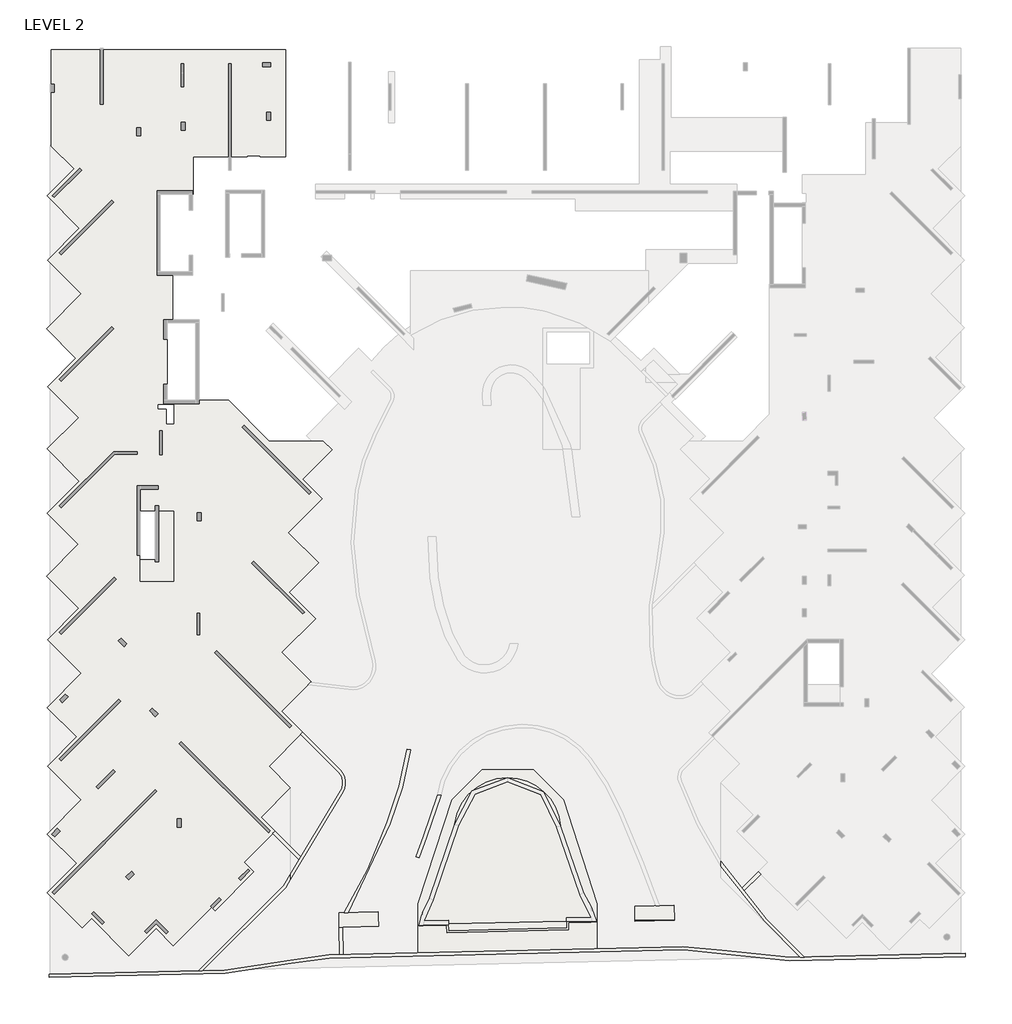
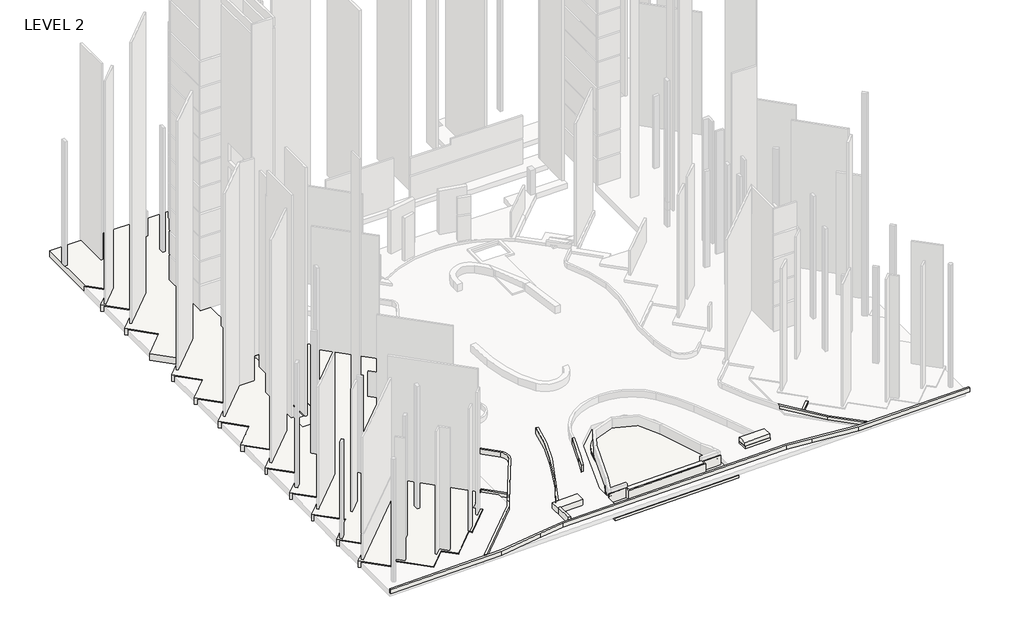
# One storey, part 6 of 9: 23 slabs, 1 roof.
"""IFC4 building model written with IfcOpenShell, lengths in millimetres."""

import ifcopenshell
import ifcopenshell.guid

model = None  # the IFC model being written
_history = None  # IfcOwnerHistory: only IFC2X3 demands one
_inside = {}  # id of a spatial element -> (the spatial element, [elements in it])
_under = {}  # id of a project, library or spatial element -> (it, [spatial elements below it])
_declared = {}  # id of a project -> (the project, [libraries it declares])
_typed = {}  # id of a type object -> (the type object, [elements of that type])
_made_of = {}  # id of a material, layer set ... -> (it, [elements and type objects made of it])


def new_model(schema):
    """Start an empty IFC model of exactly this schema.

    Asked for "IFC4X3", IfcOpenShell would pick the latest addendum, in which some entities
    have other attributes; the version numbers below select the first issue.
    IFC2X3 requires an IfcOwnerHistory on every rooted entity: one is made here for all.
    """
    global model, _history
    if schema == "IFC4X3":
        model = ifcopenshell.file(schema_version=(4, 3, 0, 0))
    else:
        model = ifcopenshell.file(schema=schema)
    _inside.clear()
    _under.clear()
    _declared.clear()
    _typed.clear()
    _made_of.clear()
    _history = None
    if model.schema == "IFC2X3":
        org = make("IfcOrganization", Name="unknown")
        user = make(
            "IfcPersonAndOrganization",
            ThePerson=make("IfcPerson", FamilyName="unknown"),
            TheOrganization=org,
        )
        app = make(
            "IfcApplication",
            ApplicationDeveloper=org,
            Version="unknown",
            ApplicationFullName="unknown",
            ApplicationIdentifier="unknown",
        )
        _history = make(
            "IfcOwnerHistory",
            OwningUser=user,
            OwningApplication=app,
            ChangeAction="ADDED",
            CreationDate=0,
        )
    return model


def make(cls, **values):
    """One entity of the class cls with the attributes given. An attribute that is None is left unset."""
    return model.create_entity(
        cls, **{name: value for name, value in values.items() if value is not None}
    )


def rooted(cls, **values):
    """An entity with a GlobalId (a new one), such as an element, a storey or a relation."""
    return make(cls, GlobalId=ifcopenshell.guid.new(), OwnerHistory=_history, **values)


def si_unit(unit_type, name, prefix=None):
    """IfcSIUnit, for example si_unit("LENGTHUNIT", "METRE", prefix="MILLI")."""
    return make("IfcSIUnit", UnitType=unit_type, Prefix=prefix, Name=name)


def assignment(units):
    """IfcUnitAssignment: the units of a project."""
    return None if units is None else make("IfcUnitAssignment", Units=units)


def point(xyz):
    """IfcCartesianPoint."""
    return None if xyz is None else make("IfcCartesianPoint", Coordinates=xyz)


def direction(xyz):
    """IfcDirection."""
    return None if xyz is None else make("IfcDirection", DirectionRatios=xyz)


def frame(location, z_axis=None, x_axis=None):
    """IfcAxis2Placement3D, a coordinate frame: its origin and axes. An axis left out is left unset."""
    return make(
        "IfcAxis2Placement3D",
        Location=point(location),
        Axis=direction(z_axis),
        RefDirection=direction(x_axis),
    )


def frame_2d(location, x_axis=None):
    """IfcAxis2Placement2D, a coordinate frame in the plane: its origin and x axis."""
    return make(
        "IfcAxis2Placement2D", Location=point(location), RefDirection=direction(x_axis)
    )


def origin():
    """The frame at (0, 0, 0) with its axes left unset."""
    return frame((0.0, 0.0, 0.0))


def place(relative_to, where):
    """IfcLocalPlacement: puts the frame where relative to a parent placement (None: the world)."""
    return make(
        "IfcLocalPlacement", PlacementRelTo=relative_to, RelativePlacement=where
    )


def context(
    kind, dimensions, precision=None, world=None, true_north=None, identifier=None
):
    """IfcGeometricRepresentationContext, for example the 3D "Model" context."""
    return make(
        "IfcGeometricRepresentationContext",
        ContextIdentifier=identifier,
        ContextType=kind,
        CoordinateSpaceDimension=dimensions,
        Precision=precision,
        WorldCoordinateSystem=world,
        TrueNorth=true_north,
    )


def project(units=None, contexts=None):
    """IfcProject with its units and contexts."""
    return rooted(
        "IfcProject",
        Name="project",
        RepresentationContexts=contexts,
        UnitsInContext=assignment(units),
    )


def spatial(cls, under=None, at=None, **own):
    """A site, building, storey or space (cls), placed at a placement, below another one or the project."""
    s = rooted(cls, ObjectPlacement=at, **own)
    if under is not None:
        _under.setdefault(under.id(), (under, []))[1].append(s)
    return s


def polyline(points):
    """IfcPolyline through the points."""
    return make("IfcPolyline", Points=[point(p) for p in points])


def circle_curve(where, radius):
    """IfcCircle in the frame where."""
    return make("IfcCircle", Position=where, Radius=radius)


def trimmed(basis, trim1, trim2, sense, master):
    """IfcTrimmedCurve: the piece of a basis curve between two trims."""
    return make(
        "IfcTrimmedCurve",
        BasisCurve=basis,
        Trim1=trim1,
        Trim2=trim2,
        SenseAgreement=sense,
        MasterRepresentation=master,
    )


def segment(curve, same_sense, transition):
    """IfcCompositeCurveSegment."""
    return make(
        "IfcCompositeCurveSegment",
        Transition=transition,
        SameSense=same_sense,
        ParentCurve=curve,
    )


def composite_curve(segments, self_intersect=None):
    """IfcCompositeCurve: segments joined end to end."""
    return make("IfcCompositeCurve", Segments=segments, SelfIntersect=self_intersect)


def outline(outer, holes=None, kind="AREA"):
    """IfcArbitraryClosedProfileDef: a profile drawn as a closed curve; with holes, ...WithVoids."""
    if holes is None:
        return make("IfcArbitraryClosedProfileDef", ProfileType=kind, OuterCurve=outer)
    return make(
        "IfcArbitraryProfileDefWithVoids",
        ProfileType=kind,
        OuterCurve=outer,
        InnerCurves=holes,
    )


def extrude(swept, where, along, depth):
    """IfcExtrudedAreaSolid: the profile swept, set in the frame where, extruded along a direction by depth."""
    return make(
        "IfcExtrudedAreaSolid",
        SweptArea=swept,
        Position=where,
        ExtrudedDirection=direction(along),
        Depth=depth,
    )


def faces_of(points, faces, orient=None, outer=None):
    """IfcFace entities. A face is a list of loops; a loop is a list of indices into points, from 0.

    orient and outer hold one flag for each loop. By default every Orientation is true, the
    first loop of a face is its IfcFaceOuterBound and the others are IfcFaceBound.
    """
    made = []
    for i, loops in enumerate(faces):
        bounds = []
        for j, loop in enumerate(loops):
            is_outer = j == 0 if outer is None else outer[i][j]
            bounds.append(
                make(
                    "IfcFaceOuterBound" if is_outer else "IfcFaceBound",
                    Bound=make("IfcPolyLoop", Polygon=[points[k] for k in loop]),
                    Orientation=True if orient is None else orient[i][j],
                )
            )
        made.append(make("IfcFace", Bounds=bounds))
    return made


def faceted_brep(points, faces, orient=None, outer=None, voids=None):
    """IfcFacetedBrep: a solid bounded by flat faces; with voids (closed shells), ...WithVoids."""
    shared = [point(p) for p in points]
    hull = make("IfcClosedShell", CfsFaces=faces_of(shared, faces, orient, outer))
    if voids is None:
        return make("IfcFacetedBrep", Outer=hull)
    return make(
        "IfcFacetedBrepWithVoids",
        Outer=hull,
        Voids=[
            make(cls, CfsFaces=faces_of(shared, fs, o, b)) for cls, fs, o, b in voids
        ],
    )


def shape(context_of_items, identifier, shape_type, items):
    """IfcShapeRepresentation: the items that make up one representation, for example the "Body"."""
    return make(
        "IfcShapeRepresentation",
        ContextOfItems=context_of_items,
        RepresentationIdentifier=identifier,
        RepresentationType=shape_type,
        Items=items,
    )


def made_of(thing, what):
    """Note that an element or type object is made of a material, layer set ...; save() writes the relation."""
    if what is not None:
        _made_of.setdefault(what.id(), (what, []))[1].append(thing)
    return thing


def element(
    cls,
    number,
    at=None,
    inside=None,
    cuts=None,
    type_object=None,
    material=None,
    context=None,
    identifier="Body",
    shape_type=None,
    held_by="IfcProductDefinitionShape",
    body=None,
    shapes=None,
    **own,
):
    """One element of the class cls, such as IfcWall. Its Tag is "e" and its number.

    at: its placement. inside: the storey or other place that contains it. cuts: it is an
    opening in that element (IfcRelVoidsElement). A single representation is given by context,
    identifier, shape_type and body (its items); several are given by shapes. held_by: the class
    of the entity that holds the representations. save() writes the other relations.
    """
    e = rooted(cls, Tag="e%d" % number, ObjectPlacement=at, **own)
    if body is not None:
        shapes = [shape(context, identifier, shape_type, body)]
    if shapes is not None:
        e.Representation = make(held_by, Representations=shapes)
    if inside is not None:
        _inside.setdefault(inside.id(), (inside, []))[1].append(e)
    if cuts is not None:
        rooted(
            "IfcRelVoidsElement", RelatingBuildingElement=cuts, RelatedOpeningElement=e
        )
    if type_object is not None:
        _typed.setdefault(type_object.id(), (type_object, []))[1].append(e)
    return made_of(e, material)


def aggregate(whole, parts):
    """IfcRelAggregates: a whole, such as a stair, and the parts it consists of."""
    return rooted("IfcRelAggregates", RelatingObject=whole, RelatedObjects=parts)


def save(model, path):
    """Write the relations noted so far, then the file.

    IfcRelAggregates (storeys below a building ...), IfcRelContainedInSpatialStructure (elements
    in a storey), IfcRelDefinesByType, IfcRelAssociatesMaterial and IfcRelDeclares: one each for
    every whole, place, type object, material and project.
    """
    for whole, parts in _under.values():
        aggregate(whole, parts)
    for where, things in _inside.values():
        rooted(
            "IfcRelContainedInSpatialStructure",
            RelatedElements=things,
            RelatingStructure=where,
        )
    for kind, things in _typed.values():
        rooted("IfcRelDefinesByType", RelatedObjects=things, RelatingType=kind)
    for what, things in _made_of.values():
        rooted("IfcRelAssociatesMaterial", RelatedObjects=things, RelatingMaterial=what)
    for by, libraries in _declared.values():
        rooted("IfcRelDeclares", RelatingContext=by, RelatedDefinitions=libraries)
    model.write(path)


model = new_model("IFC4")

# Units and contexts
model_context = context("Model", 3, world=origin())
ifc_project = project(units=[si_unit("LENGTHUNIT", "METRE", prefix="MILLI")], contexts=[model_context])

# Site, building, storey
site = spatial("IfcSite", under=ifc_project)
building = spatial("IfcBuilding", under=site)
storey = spatial("IfcBuildingStorey", under=building, Name="LEVEL 2", Elevation=6400.0)

# Roof
placement = place(None, origin())
element("IfcRoof", 1, at=placement, inside=storey, context=model_context, shape_type="SweptSolid", body=[
    extrude(outline(composite_curve([segment(trimmed(circle_curve(frame_2d((211712.0040701, 159586.2893593)), 3999.1670793), [point((207743.1389435, 160077.6618613))], [point((211730.5643759, 163585.4133688))], False, "CARTESIAN"), True, "CONTINUOUS"), segment(trimmed(circle_curve(frame_2d((211764.9620929, 159627.6724367)), 3957.8904089), [point((211730.5643759, 163585.4133688))], [point((215710.1770938, 159944.1769153))], False, "CARTESIAN"), True, "CONTINUOUS"), segment(trimmed(circle_curve(frame_2d((225827.5906329, 160622.3283546)), 10140.1156845), [point((215710.1770938, 159944.1769153))], [point((217402.9175493, 154979.0288295))], True, "CARTESIAN"), True, "CONTINUOUS"), segment(trimmed(circle_curve(frame_2d((212147.3943493, 151311.7805166)), 6408.5282471), [point((217402.9175493, 154979.0288295))], [point((218373.736502, 152828.981127))], False, "CARTESIAN"), True, "CONTINUOUS"), segment(polyline([(218373.736502, 152828.981127), (216095.4173013, 152777.2051846), (216104.5051548, 152377.3084342), (207378.5472699, 152179.0066804), (207369.4594164, 152578.9034307), (205078.4310634, 152526.8386664)]), True, "CONTINUOUS"), segment(trimmed(circle_curve(frame_2d((212106.7792377, 150953.9992899)), 7202.1872903), [point((205078.4310634, 152526.8386664))], [point((205873.6844813, 154562.3273684))], False, "CARTESIAN"), True, "CONTINUOUS"), segment(trimmed(circle_curve(frame_2d((193875.4396131, 161703.7001602)), 13962.7033653), [point((205873.6844813, 154562.3273684))], [point((207743.1389435, 160077.6618613))], True, "CARTESIAN"), True, "CONTINUOUS")], self_intersect=False)), frame((0.0, 0.0, 5200.0), z_axis=(0.0, 0.0, 1.0), x_axis=(1.0, 0.0, 0.0)), (0.0, 0.0, 1.0), 200.0),
])

# Slabs
element("IfcSlab", 2, ObjectType="200 SLAB", at=placement, inside=storey, context=model_context, shape_type="Brep", body=[
    faceted_brep([(186696.1489175, 183553.8372685, 6200.0), (186696.1489175, 178313.2322067, 6200.0), (186676.1489175, 178313.2322067, 6200.0), (184206.1489175, 178313.2322067, 6200.0), (184206.1489175, 179898.559733, 6200.0), (185326.1489175, 179898.559733, 6200.0), (185326.1489175, 183553.8372685, 6200.0), (185576.1489175, 183553.8372685, 6200.0), (186676.1489175, 183553.8372685, 6200.0), (186696.1489175, 183553.8372685, 6400.0), (185326.1489175, 183553.8372685, 6400.0), (185326.1489175, 179898.559733, 6400.0), (184206.1489175, 179898.559733, 6400.0), (184206.1489175, 178313.2322067, 6400.0), (186696.1489175, 178313.2322067, 6400.0)], [[[0, 1, 2, 3, 4, 5, 6, 7, 8]], [[9, 10, 11, 12, 13, 14]], [[1, 0, 9, 14]], [[3, 2, 1, 14, 13]], [[4, 3, 13, 12]], [[0, 8, 7, 6, 10, 9]], [[5, 4, 12, 11]], [[6, 5, 11, 10]]]),
])
element("IfcSlab", 3, ObjectType="600 TRANSFER SLAB", at=placement, inside=storey, context=model_context, shape_type="SweptSolid", body=[
    extrude(outline(polyline([(216580.8701077, 161813.2318341), (206874.8952644, 161813.2318341), (207087.9542441, 162468.9599484), (209504.4180211, 164885.4237254), (213951.347351, 164885.4237254), (216367.811128, 162468.9599484), (216580.8701077, 161813.2318341)])), frame((0.0, 0.0, 4600.0), z_axis=(0.0, 0.0, 1.0), x_axis=(1.0, 0.0, 0.0)), (0.0, 0.0, 1.0), 600.0),
])
element("IfcSlab", 4, ObjectType="800 TRANSFER SLAB", at=placement, inside=storey, context=model_context, shape_type="Brep", body=[
    faceted_brep([(177172.7318371, 178691.2637905, 5600.0), (177465.7148858, 178984.2468392, 5600.0), (179552.6317254, 181071.1636787, 5600.0), (177465.7148859, 183158.0805183, 5600.0), (177233.3214835, 183390.4739207, 5600.0), (177465.7148858, 183622.8673231, 5600.0), (179641.020074, 185798.1725113, 5600.0), (179531.9600324, 185907.2325529, 5600.0), (179461.3204833, 185977.872102, 5600.0), (177465.7148858, 187973.4776994, 5600.0), (177222.7148824, 188216.4777029, 5600.0), (177465.7148858, 188459.4777064, 5600.0), (179570.3093953, 190564.0722158, 5600.0), (177465.7148858, 192668.6667253, 5600.0), (177250.999153, 192883.3824581, 5600.0), (179378.9049944, 195011.2882996, 5600.0), (177172.7318371, 197217.4614569, 5600.0), (177467.7148854, 197512.4445051, 5600.0), (179782.4414296, 199827.1710494, 5600.0), (177467.7148854, 202141.8975937, 5600.0), (177250.999153, 202358.613326, 5600.0), (177465.7148858, 202573.3290589, 5600.0), (179641.020074, 204748.6342471, 5600.0), (177465.7148858, 206923.9394352, 5600.0), (177222.7148824, 207166.9394387, 5600.0), (177465.7148858, 207409.9394422, 5600.0), (179245.2179459, 209189.4425022, 5600.0), (177537.7148854, 210896.9455627, 5600.0), (177537.7148854, 218103.2318341, 5600.0), (180689.4455819, 218103.2318341, 5600.0), (181389.4455819, 218103.2318341, 5600.0), (187491.1489205, 218103.2318341, 5600.0), (188191.1489205, 218103.2318341, 5600.0), (194814.9262454, 218103.2318341, 5600.0), (195083.9143558, 218103.2318341, 5600.0), (195083.9143558, 212323.2320286, 5600.0), (195083.9143558, 210118.1983002, 5600.0), (193191.1491689, 210118.1983002, 5600.0), (193191.1491689, 210172.9748729, 5600.0), (192191.1491689, 210172.9748729, 5600.0), (192191.1491689, 210118.1983002, 5600.0), (188161.1489205, 210118.1983002, 5600.0), (188161.1489205, 207608.1983002, 5600.0), (188161.1489205, 207308.2322067, 5600.0), (185701.1489205, 207308.2322067, 5600.0), (185701.1489205, 201493.2322067, 5600.0), (186631.1489175, 201493.2322067, 5600.0), (186631.1489175, 201193.1983002, 5600.0), (186631.1489175, 197957.6490083, 5600.0), (186631.1489175, 197658.2322067, 5600.0), (186201.1489175, 197658.2322067, 5600.0), (186201.1489175, 197657.6490083, 5600.0), (186201.1489175, 191842.6490083, 5600.0), (188361.1489175, 191842.6490083, 5600.0), (188361.1489175, 191843.2322067, 5600.0), (190828.1526351, 191843.2322067, 5600.0), (193868.7354639, 188802.649378, 5600.0), (197067.4589571, 188802.649378, 5600.0), (197716.6112901, 188153.497045, 5600.0), (195510.4381327, 185947.3238876, 5600.0), (196972.5455329, 184485.2164875, 5600.0), (194441.0325421, 181953.7034967, 5600.0), (196698.4294091, 179696.3066297, 5600.0), (194492.322329, 177490.1995495, 5600.0), (196482.3214168, 175500.2004618, 5600.0), (193950.8837771, 172968.7628221, 5600.0), (196141.4931732, 170778.153426, 5600.0), (193935.3200159, 168571.9802687, 5600.0), (195526.2610305, 166981.0392541, 5600.0), (192991.4203716, 164446.1985953, 5600.0), (194842.4547218, 162595.1642451, 5600.0), (194842.4547218, 162243.6923825, 5600.0), (193239.6799467, 160640.9176075, 5600.0), (194296.3098331, 159584.2877211, 5600.0), (191977.1811517, 157265.1590397, 5600.0), (192709.9314408, 156532.4087506, 5600.0), (189810.7995664, 153633.2768761, 5600.0), (189554.9830875, 153889.093355, 5600.0), (186669.9814918, 151004.0917593, 5600.0), (185384.5796958, 152289.4935553, 5600.0), (185383.0471501, 152291.0261011, 5600.0), (183341.5621043, 150249.5410554, 5600.0), (180544.510477, 153046.5926827, 5600.0), (179837.4036958, 152339.4859015, 5600.0), (177433.7148854, 154743.1747119, 5600.0), (177222.7148824, 154954.1747149, 5600.0), (177433.7148854, 155165.1747179, 5600.0), (179428.8880409, 157160.3478734, 5600.0), (177433.7148854, 159155.521029, 5600.0), (177222.7148824, 159366.521032, 5600.0), (177433.7148854, 159577.521035, 5600.0), (179782.4414303, 161926.2475799, 5600.0), (177433.7148854, 164274.9741248, 5600.0), (177250.9991544, 164457.6898558, 5600.0), (177433.7148854, 164640.4055868, 5600.0), (179428.8880401, 166635.5787415, 5600.0), (177433.7148854, 168630.7518962, 5600.0), (177222.714882, 168841.7518996, 5600.0), (177433.7148854, 169052.7519029, 5600.0), (179782.4414299, 171401.4784474, 5600.0), (177433.7148854, 173750.204992, 5600.0), (177250.999154, 173932.9207233, 5600.0), (177433.7148854, 174115.6364547, 5600.0), (179591.0370291, 176272.9585985, 5600.0), (177433.7148854, 178430.2807422, 5600.0), (186696.1489175, 191542.6490054, 5600.0), (185541.1486688, 191542.6490054, 5600.0), (185541.1486688, 191228.1983002, 5600.0), (186196.1489175, 191228.1983002, 5600.0), (186196.1489175, 190088.1983002, 5600.0), (186696.1489175, 190088.1983002, 5600.0), (184206.1489175, 183553.8372685, 5600.0), (184206.1489175, 178313.2322067, 5600.0), (186236.3204833, 178313.2322067, 5600.0), (186676.1489175, 178313.2322067, 5600.0), (186676.1489175, 183553.8372685, 5600.0), (185576.1489175, 183553.8372685, 5600.0), (185326.1489175, 183553.8372685, 5600.0), (197915.9870945, 188802.649378, 6400.0), (193868.7354639, 188802.649378, 6400.0), (190828.1526351, 191843.2322067, 6400.0), (188361.1489175, 191843.2322067, 6400.0), (188361.1489175, 191842.6490083, 6400.0), (186201.1489175, 191842.6490083, 6400.0), (186201.1489175, 197657.6490083, 6400.0), (186201.1489175, 197658.2322067, 6400.0), (186631.1489175, 197658.2322067, 6400.0), (186631.1489175, 197957.6490083, 6400.0), (186631.1489175, 201193.1983002, 6400.0), (186631.1489175, 201493.2322067, 6400.0), (185701.1489205, 201493.2322067, 6400.0), (185701.1489205, 207308.2322067, 6400.0), (188161.1489205, 207308.2322067, 6400.0), (188161.1489205, 210118.1983002, 6400.0), (192191.1491689, 210118.1983002, 6400.0), (192191.1491689, 210172.9748729, 6400.0), (193191.1491689, 210172.9748729, 6400.0), (193191.1491689, 210118.1983002, 6400.0), (195083.9143558, 210118.1983002, 6400.0), (195083.9143558, 212323.2320286, 6400.0), (195083.9143558, 218103.2318341, 6400.0), (194814.9262454, 218103.2318341, 6400.0), (177537.7148854, 218103.2318341, 6400.0), (177537.7148854, 210896.9455627, 6400.0), (179245.2179459, 209189.4425022, 6400.0), (177222.7148824, 207166.9394387, 6400.0), (179641.020074, 204748.6342471, 6400.0), (177250.999153, 202358.613326, 6400.0), (179782.4414296, 199827.1710494, 6400.0), (177172.7318371, 197217.4614569, 6400.0), (179378.9049944, 195011.2882996, 6400.0), (177250.999153, 192883.3824581, 6400.0), (179570.3093953, 190564.0722158, 6400.0), (177222.7148824, 188216.4777029, 6400.0), (179641.020074, 185798.1725113, 6400.0), (177233.3214835, 183390.4739207, 6400.0), (179552.6317254, 181071.1636787, 6400.0), (177172.7318371, 178691.2637905, 6400.0), (179591.0370291, 176272.9585985, 6400.0), (177250.999154, 173932.9207233, 6400.0), (179782.4414299, 171401.4784474, 6400.0), (177222.714882, 168841.7518996, 6400.0), (179428.8880401, 166635.5787415, 6400.0), (177250.9991544, 164457.6898558, 6400.0), (179782.4414303, 161926.2475799, 6400.0), (177222.7148824, 159366.521032, 6400.0), (179428.8880409, 157160.3478734, 6400.0), (177222.7148824, 154954.1747149, 6400.0), (179837.4036958, 152339.4859015, 6400.0), (180544.510477, 153046.5926827, 6400.0), (183341.5621043, 150249.5410554, 6400.0), (185383.0471501, 152291.0261011, 6400.0), (186669.9814918, 151004.0917593, 6400.0), (189554.9830875, 153889.093355, 6400.0), (189810.7995664, 153633.2768761, 6400.0), (192709.9314408, 156532.4087506, 6400.0), (191977.1811517, 157265.1590397, 6400.0), (194296.3098331, 159584.2877211, 6400.0), (193239.6799467, 160640.9176075, 6400.0), (195442.4547218, 162843.6923825, 6400.0), (193839.9485091, 164446.1985953, 6400.0), (196374.7891679, 166981.0392541, 6400.0), (194783.8481533, 168571.9802687, 6400.0), (196990.0213106, 170778.153426, 6400.0), (194799.4119146, 172968.7628221, 6400.0), (197330.8495542, 175500.2004618, 6400.0), (195340.8504664, 177490.1995495, 6400.0), (197546.9575466, 179696.3066297, 6400.0), (195289.5606795, 181953.7034967, 6400.0), (197821.0736703, 184485.2164875, 6400.0), (196358.9662702, 185947.3238877, 6400.0), (198565.1394275, 188153.497045, 6400.0), (185541.1486688, 191542.6490054, 6400.0), (186696.1489175, 191542.6490054, 6400.0), (186696.1489175, 190088.1983002, 6400.0), (186196.1489175, 190088.1983002, 6400.0), (186196.1489175, 191228.1983002, 6400.0), (185541.1486688, 191228.1983002, 6400.0), (184206.1489175, 178313.2322067, 6400.0), (184206.1489175, 179898.559733, 6400.0), (184206.1489175, 183553.8372685, 6400.0), (185326.1489175, 183553.8372685, 6400.0), (186696.1489175, 183553.8372685, 6400.0), (186696.1489175, 178313.2322067, 6400.0), (197915.9870945, 188802.649378, 6100.0), (197067.4589571, 188802.649378, 6100.0), (179552.6317254, 181071.1636787, 6300.0), (184206.1489175, 178313.2322067, 6200.0), (186696.1489175, 178313.2322067, 6200.0), (186676.1489175, 178313.2322067, 6200.0), (186676.1489175, 183553.8372685, 6200.0), (186696.1489175, 183553.8372685, 6200.0), (198565.1394275, 188153.497045, 6100.0), (196358.9662702, 185947.3238877, 6100.0), (197821.0736703, 184485.2164875, 6100.0), (195289.5606795, 181953.7034967, 6100.0), (197546.9575466, 179696.3066297, 6100.0), (195340.8504664, 177490.1995495, 6100.0), (197330.8495542, 175500.2004618, 6100.0), (194799.4119146, 172968.7628221, 6100.0), (196990.0213106, 170778.153426, 6100.0), (194783.8481533, 168571.9802687, 6100.0), (196374.7891679, 166981.0392541, 6100.0), (193839.9485091, 164446.1985953, 6100.0), (195442.4547218, 162843.6923825, 6100.0), (193239.6799467, 160640.9176075, 6300.0), (194842.4547218, 162243.6923825, 6100.0), (194296.3098331, 159584.2877211, 6300.0), (191977.1811517, 157265.1590397, 6300.0), (192709.9314408, 156532.4087506, 6300.0), (189810.7995664, 153633.2768761, 6300.0), (189554.9830875, 153889.093355, 6300.0), (186669.9814918, 151004.0917593, 6300.0), (183341.5621043, 150249.5410554, 6300.0), (180544.510477, 153046.5926827, 6300.0), (179837.4036958, 152339.4859015, 6300.0), (179428.8880409, 157160.3478734, 6300.0), (179782.4414303, 161926.2475799, 6300.0), (179428.8880401, 166635.5787415, 6300.0), (179782.4414299, 171401.4784474, 6300.0), (179591.0370291, 176272.9585985, 6300.0), (179641.020074, 185798.1725113, 6300.0), (179570.3093953, 190564.0722158, 6300.0), (179782.4414296, 199827.1710494, 6300.0), (179641.020074, 204748.6342471, 6300.0), (179245.2179459, 209189.4425022, 6300.0), (194842.4547218, 162595.1642451, 6100.0), (192991.4203716, 164446.1985953, 6100.0), (195526.2610305, 166981.0392541, 6100.0), (193935.3200159, 168571.9802687, 6100.0), (196141.4931732, 170778.153426, 6100.0), (193950.8837771, 172968.7628221, 6100.0), (196482.3214168, 175500.2004618, 6100.0), (194492.322329, 177490.1995495, 6100.0), (196698.4294091, 179696.3066297, 6100.0), (194441.0325421, 181953.7034967, 6100.0), (196972.5455329, 184485.2164875, 6100.0), (195510.4381327, 185947.3238876, 6100.0), (197716.6112901, 188153.497045, 6100.0)], [[[0, 1, 2, 3, 4, 5, 6, 7, 8, 9, 10, 11, 12, 13, 14, 15, 16, 17, 18, 19, 20, 21, 22, 23, 24, 25, 26, 27, 28, 29, 30, 31, 32, 33, 34, 35, 36, 37, 38, 39, 40, 41, 42, 43, 44, 45, 46, 47, 48, 49, 50, 51, 52, 53, 54, 55, 56, 57, 58, 59, 60, 61, 62, 63, 64, 65, 66, 67, 68, 69, 70, 71, 72, 73, 74, 75, 76, 77, 78, 79, 80, 81, 82, 83, 84, 85, 86, 87, 88, 89, 90, 91, 92, 93, 94, 95, 96, 97, 98, 99, 100, 101, 102, 103, 104], [105, 106, 107, 108, 109, 110], [111, 112, 113, 114, 115, 116, 117]], [[118, 119, 120, 121, 122, 123, 124, 125, 126, 127, 128, 129, 130, 131, 132, 133, 134, 135, 136, 137, 138, 139, 140, 141, 142, 143, 144, 145, 146, 147, 148, 149, 150, 151, 152, 153, 154, 155, 156, 157, 158, 159, 160, 161, 162, 163, 164, 165, 166, 167, 168, 169, 170, 171, 172, 173, 174, 175, 176, 177, 178, 179, 180, 181, 182, 183, 184, 185, 186, 187, 188, 189, 190, 191], [192, 193, 194, 195, 196, 197], [198, 199, 200, 201, 202, 203]], [[50, 125, 124, 123, 52, 51]], [[119, 118, 204, 205, 57, 56]], [[2, 1, 0, 157, 156, 206]], [[4, 3, 2, 206, 156, 155]], [[112, 111, 200, 199, 198, 207]], [[114, 113, 112, 207, 198, 203, 208, 209]], [[115, 114, 209, 210]], [[111, 117, 116, 115, 210, 211, 202, 201, 200]], [[118, 191, 212, 204]], [[191, 190, 213, 212]], [[190, 189, 214, 213]], [[189, 188, 215, 214]], [[188, 187, 216, 215]], [[187, 186, 217, 216]], [[186, 185, 218, 217]], [[185, 184, 219, 218]], [[184, 183, 220, 219]], [[183, 182, 221, 220]], [[182, 181, 222, 221]], [[181, 180, 223, 222]], [[180, 179, 224, 223]], [[179, 178, 225, 72, 71, 226, 224]], [[73, 72, 225, 178, 177, 227]], [[74, 73, 227, 177, 176, 228]], [[75, 74, 228, 176, 175, 229]], [[76, 75, 229, 175, 174, 230]], [[77, 76, 230, 174, 173, 231]], [[78, 77, 231, 173, 172, 232]], [[80, 79, 78, 232, 172, 171]], [[81, 80, 171, 170, 233]], [[82, 81, 233, 170, 169, 234]], [[83, 82, 234, 169, 168, 235]], [[85, 84, 83, 235, 168, 167]], [[87, 86, 85, 167, 166, 236]], [[89, 88, 87, 236, 166, 165]], [[91, 90, 89, 165, 164, 237]], [[93, 92, 91, 237, 164, 163]], [[95, 94, 93, 163, 162, 238]], [[97, 96, 95, 238, 162, 161]], [[99, 98, 97, 161, 160, 239]], [[101, 100, 99, 239, 160, 159]], [[103, 102, 101, 159, 158, 240]], [[0, 104, 103, 240, 158, 157]], [[6, 5, 4, 155, 154, 241]], [[10, 9, 8, 7, 6, 241, 154, 153]], [[12, 11, 10, 153, 152, 242]], [[14, 13, 12, 242, 152, 151]], [[15, 14, 151, 150]], [[120, 55, 54, 121]], [[56, 55, 120, 119]], [[16, 15, 150, 149]], [[18, 17, 16, 149, 148, 243]], [[20, 19, 18, 243, 148, 147]], [[22, 21, 20, 147, 146, 244]], [[24, 23, 22, 244, 146, 145]], [[26, 25, 24, 145, 144, 245]], [[27, 26, 245, 144, 143]], [[28, 27, 143, 142]], [[34, 33, 32, 31, 30, 29, 28, 142, 141, 140]], [[36, 35, 34, 140, 139, 138]], [[36, 138, 137, 37]], [[133, 41, 40, 134]], [[43, 42, 41, 133, 132]], [[44, 43, 132, 131]], [[45, 44, 131, 130]], [[46, 45, 130, 129]], [[49, 48, 47, 46, 129, 128, 127, 126]], [[50, 49, 126, 125]], [[52, 123, 122, 53]], [[53, 122, 121, 54]], [[105, 193, 192, 106]], [[106, 192, 197, 107]], [[107, 197, 196, 108]], [[108, 196, 195, 109]], [[109, 195, 194, 110]], [[193, 105, 110, 194]], [[39, 135, 134, 40]], [[136, 38, 37, 137]], [[135, 39, 38, 136]], [[208, 211, 210, 209]], [[211, 208, 203, 202]], [[246, 247, 248, 249, 250, 251, 252, 253, 254, 255, 256, 257, 258, 205, 204, 212, 213, 214, 215, 216, 217, 218, 219, 220, 221, 222, 223, 224, 226]], [[247, 246, 70, 69]], [[248, 247, 69, 68]], [[249, 248, 68, 67]], [[250, 249, 67, 66]], [[251, 250, 66, 65]], [[252, 251, 65, 64]], [[253, 252, 64, 63]], [[254, 253, 63, 62]], [[255, 254, 62, 61]], [[256, 255, 61, 60]], [[257, 256, 60, 59]], [[258, 257, 59, 58]], [[258, 58, 57, 205]], [[70, 246, 226, 71]]]),
])
element("IfcSlab", 5, ObjectType="F2A - 1200mm Concrete Curb", at=placement, inside=storey, context=model_context, shape_type="SweptSolid", body=[
    extrude(outline(polyline([(216104.5051548, 152377.3084342), (216095.4173013, 152777.2051846), (218373.736502, 152828.981127), (218373.736502, 152778.9682175), (216296.5016582, 152731.7620175), (216308.9974567, 152181.9039858), (207183.1428215, 151974.5143785), (207170.6470229, 152524.3724102), (205078.4310634, 152476.656865), (205078.4310634, 152526.8386664), (207369.4594164, 152578.9034307), (207378.5472699, 152179.0066804), (216104.5051548, 152377.3084342)])), frame((0.0, 0.0, 5200.0), z_axis=(0.0, 0.0, 1.0), x_axis=(1.0, 0.0, 0.0)), (0.0, 0.0, 1.0), 1200.0),
])
element("IfcSlab", 6, ObjectType="F2A - 1200mm Concrete Curb", at=placement, inside=storey, context=model_context, shape_type="Brep", body=[
    faceted_brep([(216104.5051548, 152377.3084342, 5200.0), (216095.4173013, 152777.2051846, 5200.0), (218373.736502, 152828.981127, 5200.0), (218373.736502, 152778.9682175, 5200.0), (216296.5016582, 152731.7620175, 5200.0), (216308.9974567, 152181.9039858, 5200.0), (207183.1428215, 151974.5143785, 5200.0), (207170.6470229, 152524.3724102, 5200.0), (205078.4310634, 152476.656865, 5200.0), (205078.4310634, 152526.8386664, 5200.0), (207369.4594164, 152578.9034307, 5200.0), (207378.5472699, 152179.0066804, 5200.0), (216095.4173013, 152777.2051846, 6400.0), (216104.5051548, 152377.3084342, 6400.0), (207378.5472699, 152179.0066804, 6400.0), (207369.4594164, 152578.9034307, 6400.0), (205404.8212078, 152534.2560456, 6400.0), (205405.9550821, 152484.5382862, 6400.0), (205078.4310634, 152477.0687002, 6400.0), (205078.4310634, 152476.656865, 6400.0), (207170.6470229, 152524.3724102, 6400.0), (207183.1428215, 151974.5143785, 6400.0), (216308.9974567, 152181.9039858, 6400.0), (216296.5016582, 152731.7620175, 6400.0), (217979.2539984, 152770.0034054, 6400.0), (217978.1180167, 152819.9904992, 6400.0), (217978.1180167, 152819.9904992, 6100.0), (218373.736502, 152828.981127, 6100.0), (205078.4310634, 152526.8386664, 6100.0), (205404.8212078, 152534.2560456, 6100.0), (205078.4310634, 152477.0687002, 6100.0), (205405.9550821, 152484.5382862, 6100.0), (218373.736502, 152778.9682175, 6100.0), (217979.2539984, 152770.0034054, 6100.0)], [[[0, 1, 2, 3, 4, 5, 6, 7, 8, 9, 10, 11]], [[12, 13, 14, 15, 16, 17, 18, 19, 20, 21, 22, 23, 24, 25]], [[1, 0, 13, 12]], [[2, 1, 12, 25, 26, 27]], [[5, 4, 23, 22]], [[6, 5, 22, 21]], [[7, 6, 21, 20]], [[10, 9, 28, 29, 16, 15]], [[11, 10, 15, 14]], [[0, 11, 14, 13]], [[8, 7, 20, 19]], [[9, 8, 19, 18, 30, 28]], [[31, 17, 16, 29]], [[17, 31, 30, 18]], [[31, 29, 28, 30]], [[3, 2, 27, 32]], [[4, 3, 32, 33, 24, 23]], [[33, 26, 25, 24]], [[26, 33, 32, 27]]]),
])
element("IfcSlab", 7, ObjectType="F2A - 1700mm Concrete Curb", at=placement, inside=storey, context=model_context, shape_type="SweptSolid", body=[
    extrude(outline(composite_curve([segment(trimmed(circle_curve(frame_2d((180497.2868511, 169333.9884656)), 26921.9711399), [point((205437.4356007, 159195.8668246))], [point((206474.1406005, 162263.2318341))], True, "CARTESIAN"), True, "CONTINUOUS"), segment(polyline([(206474.1406005, 162263.2318341), (206733.1481156, 162263.2318341)]), True, "CONTINUOUS"), segment(trimmed(circle_curve(frame_2d((180497.2868511, 169333.9884656)), 27171.9711399), [point((206733.1481156, 162263.2318341))], [point((205671.1842197, 159107.01888))], False, "CARTESIAN"), True, "CONTINUOUS"), segment(trimmed(circle_curve(frame_2d((169256.9836144, 172010.7305294)), 38632.8846975), [point((205671.1842197, 159107.01888))], [point((205103.5331801, 157605.014154))], False, "CARTESIAN"), True, "CONTINUOUS"), segment(polyline([(205103.5331801, 157605.014154), (204858.5087449, 157665.7925342)]), True, "CONTINUOUS"), segment(trimmed(circle_curve(frame_2d((169256.9836144, 172010.7305294)), 38382.8846975), [point((204858.5087449, 157665.7925342))], [point((205437.4356007, 159195.8668246))], True, "CARTESIAN"), True, "CONTINUOUS")], self_intersect=False)), frame((0.0, 0.0, 5200.0), z_axis=(0.0, 0.0, 1.0), x_axis=(1.0, 0.0, 0.0)), (0.0, 0.0, 1.0), 1700.0),
])
element("IfcSlab", 8, ObjectType="F2A - 300mm Concrete Curb", at=placement, inside=storey, context=model_context, shape_type="Brep", body=[
    faceted_brep([(224211.6562771, 154036.9283266, 6100.0), (224237.215865, 152912.2187163, 6100.0), (221287.9666301, 152845.1955536, 6100.0), (221262.4070421, 153969.9051638, 6100.0), (224237.215865, 152912.2187163, 6400.0), (224236.0798834, 152962.2058101, 6400.0), (224211.6562771, 154036.9283266, 6400.0), (221262.4070421, 153969.9051638, 6400.0), (221286.1490594, 152925.1749036, 6400.0), (221286.8306484, 152895.1826473, 6400.0), (221287.9666301, 152845.1955536, 6400.0)], [[[0, 1, 2, 3]], [[4, 5, 6, 7, 8, 9, 10]], [[1, 0, 6, 5, 4]], [[0, 3, 7, 6]], [[3, 2, 10, 9, 8, 7]], [[2, 1, 4, 10]]]),
])
element("IfcSlab", 9, ObjectType="F2A - 300mm Suspended Concrete Slab", at=placement, inside=storey, context=model_context, shape_type="SweptSolid", body=[
    extrude(outline(composite_curve([segment(polyline([(207369.4594156, 152578.9034304), (205078.4310634, 152526.8386664)]), True, "CONTINUOUS"), segment(trimmed(circle_curve(frame_2d((212106.7792377, 150953.9992899)), 7202.1872903), [point((205078.4310634, 152526.8386664))], [point((205873.6844813, 154562.3273684))], False, "CARTESIAN"), True, "CONTINUOUS"), segment(trimmed(circle_curve(frame_2d((193875.4396131, 161703.7001602)), 13962.7033653), [point((205873.6844813, 154562.3273684))], [point((207743.1389435, 160077.6618613))], True, "CARTESIAN"), True, "CONTINUOUS"), segment(trimmed(circle_curve(frame_2d((211712.0040701, 159586.2893593)), 3999.1670793), [point((207743.1389435, 160077.6618613))], [point((211730.5643759, 163585.4133688))], False, "CARTESIAN"), True, "CONTINUOUS"), segment(trimmed(circle_curve(frame_2d((211764.9620929, 159627.6724367)), 3957.8904089), [point((211730.5643759, 163585.4133688))], [point((215710.1770938, 159944.1769153))], False, "CARTESIAN"), True, "CONTINUOUS"), segment(trimmed(circle_curve(frame_2d((225827.5906329, 160622.3283546)), 10140.1156845), [point((215710.1770938, 159944.1769153))], [point((217402.9175493, 154979.0288295))], True, "CARTESIAN"), True, "CONTINUOUS"), segment(trimmed(circle_curve(frame_2d((212147.3943493, 151311.7805166)), 6408.5282471), [point((217402.9175493, 154979.0288295))], [point((218373.736502, 152828.9811269))], False, "CARTESIAN"), True, "CONTINUOUS"), segment(polyline([(218373.736502, 152828.9811269), (216095.4173014, 152777.2051848), (216104.5051549, 152377.3084336), (207378.547269, 152179.006681), (207369.4594156, 152578.9034304)]), True, "CONTINUOUS")], self_intersect=False)), frame((0.0, 0.0, 5400.0), z_axis=(0.0, 0.0, 1.0), x_axis=(1.0, 0.0, 0.0)), (0.0, 0.0, 1.0), 300.0),
])
element("IfcSlab", 10, ObjectType="F2A - 300mm Suspended Concrete Slab", at=placement, inside=storey, context=model_context, shape_type="SweptSolid", body=[
    extrude(outline(composite_curve([segment(polyline([(207369.4594156, 152578.9034304), (205078.4310634, 152526.8386664)]), True, "CONTINUOUS"), segment(trimmed(circle_curve(frame_2d((212106.7792377, 150953.9992899)), 7202.1872903), [point((205078.4310634, 152526.8386664))], [point((205873.6844813, 154562.3273684))], False, "CARTESIAN"), True, "CONTINUOUS"), segment(trimmed(circle_curve(frame_2d((193875.4396131, 161703.7001602)), 13962.7033653), [point((205873.6844813, 154562.3273684))], [point((207743.1389435, 160077.6618613))], True, "CARTESIAN"), True, "CONTINUOUS"), segment(trimmed(circle_curve(frame_2d((211712.0040701, 159586.2893593)), 3999.1670793), [point((207743.1389435, 160077.6618613))], [point((211730.5643759, 163585.4133688))], False, "CARTESIAN"), True, "CONTINUOUS"), segment(trimmed(circle_curve(frame_2d((211764.9620929, 159627.6724367)), 3957.8904089), [point((211730.5643759, 163585.4133688))], [point((215710.1770938, 159944.1769153))], False, "CARTESIAN"), True, "CONTINUOUS"), segment(trimmed(circle_curve(frame_2d((225827.5906329, 160622.3283546)), 10140.1156845), [point((215710.1770938, 159944.1769153))], [point((217402.9175493, 154979.0288295))], True, "CARTESIAN"), True, "CONTINUOUS"), segment(trimmed(circle_curve(frame_2d((212147.3943493, 151311.7805166)), 6408.5282471), [point((217402.9175493, 154979.0288295))], [point((218373.736502, 152828.9811269))], False, "CARTESIAN"), True, "CONTINUOUS"), segment(polyline([(218373.736502, 152828.9811269), (216095.4173014, 152777.2051848), (216104.5051549, 152377.3084336), (207378.547269, 152179.006681), (207369.4594156, 152578.9034304)]), True, "CONTINUOUS")], self_intersect=False)), frame((0.0, 0.0, 5400.0), z_axis=(0.0, 0.0, 1.0), x_axis=(1.0, 0.0, 0.0)), (0.0, 0.0, 1.0), 300.0),
])
element("IfcSlab", 11, ObjectType="F2A - 400mm Concrete Curb", at=placement, inside=storey, context=model_context, shape_type="SweptSolid", body=[
    extrude(outline(polyline([(203636.3204833, 150447.8474053), (219836.3204833, 150816.0005014), (219836.3204833, 150515.9230442), (203636.3204833, 150147.769948), (203636.3204833, 150447.8474053)])), frame((0.0, 0.0, 5200.0), z_axis=(0.0, 0.0, 1.0), x_axis=(1.0, 0.0, 0.0)), (0.0, 0.0, 1.0), 400.0),
])
element("IfcSlab", 12, ObjectType="F2A - 400mm Concrete Curb", at=placement, inside=storey, context=model_context, shape_type="SweptSolid", body=[
    extrude(outline(composite_curve([segment(polyline([(233964.8385995, 150144.3645477), (233688.2768146, 150138.0836201), (230969.3545836, 152857.0058511)]), True, "CONTINUOUS"), segment(trimmed(circle_curve(frame_2d((253036.4058517, 173635.3924182)), 30310.0), [point((230969.3545836, 152857.0058511))], [point((227722.4499864, 156965.0673329))], False, "CARTESIAN"), True, "CONTINUOUS"), segment(polyline([(227722.4499864, 156965.0673329), (227722.4499864, 157331.5358667)]), True, "CONTINUOUS"), segment(trimmed(circle_curve(frame_2d((253036.4058517, 173635.3924182)), 30110.0), [point((227722.4499864, 157331.5358667))], [point((231112.9057482, 152996.297399))], True, "CARTESIAN"), True, "CONTINUOUS"), segment(polyline([(231112.9057482, 152996.297399), (233964.8385995, 150144.3645477)]), True, "CONTINUOUS")], self_intersect=False)), frame((0.0, 0.0, 6300.0), z_axis=(0.0, 0.0, 1.0), x_axis=(1.0, 0.0, 0.0)), (0.0, 0.0, 1.0), 400.0),
])
element("IfcSlab", 13, ObjectType="F2A - 400mm Concrete Curb", at=placement, inside=storey, context=model_context, shape_type="SweptSolid", body=[
    extrude(outline(polyline([(195085.4673386, 155352.8271369), (188852.4570627, 149119.816861), (188563.0411814, 149113.2436921), (194926.7312356, 155476.9337463), (195442.4547218, 156333.8994195), (195442.4547218, 155946.0247347), (195085.4673386, 155352.8271369)])), frame((0.0, 0.0, 6300.0), z_axis=(0.0, 0.0, 1.0), x_axis=(1.0, 0.0, 0.0)), (0.0, 0.0, 1.0), 400.0),
])
element("IfcSlab", 14, ObjectType="F2A - 450mm Concrete Curb", at=placement, inside=storey, context=model_context, shape_type="SweptSolid", body=[
    extrude(outline(composite_curve([segment(polyline([(229209.4120201, 155226.5232256), (230529.4396807, 156546.5508862), (230706.216376, 156369.7741909), (229364.2626235, 155027.8204384)]), True, "CONTINUOUS"), segment(trimmed(circle_curve(frame_2d((253036.4058517, 173635.3924182)), 30110.0), [point((229364.2626235, 155027.8204384))], [point((229209.4120201, 155226.5232256))], False, "CARTESIAN"), True, "CONTINUOUS")], self_intersect=False)), frame((0.0, 0.0, 6100.0), z_axis=(0.0, 0.0, 1.0), x_axis=(1.0, 0.0, 0.0)), (0.0, 0.0, 1.0), 450.0),
])
element("IfcSlab", 15, ObjectType="F2A - 450mm Concrete Curb", at=placement, inside=storey, context=model_context, shape_type="SweptSolid", body=[
    extrude(outline(polyline([(194296.3098331, 159584.2877211), (196233.0253628, 157647.5721913), (196100.1942802, 157426.8498834), (194119.5331378, 159407.5110258), (194296.3098331, 159584.2877211)])), frame((0.0, 0.0, 6100.0), z_axis=(0.0, 0.0, 1.0), x_axis=(1.0, 0.0, 0.0)), (0.0, 0.0, 1.0), 450.0),
])
element("IfcSlab", 16, ObjectType="F2A - 450mm Concrete Curb", at=placement, inside=storey, context=model_context, shape_type="SweptSolid", body=[
    extrude(outline(composite_curve([segment(polyline([(229209.4120201, 155226.5232256), (230529.4396807, 156546.5508862), (230706.216376, 156369.7741909), (229364.2626235, 155027.8204384)]), True, "CONTINUOUS"), segment(trimmed(circle_curve(frame_2d((253036.4058517, 173635.3924182)), 30110.0), [point((229364.2626235, 155027.8204384))], [point((229209.4120201, 155226.5232256))], False, "CARTESIAN"), True, "CONTINUOUS")], self_intersect=False)), frame((0.0, 0.0, 6100.0), z_axis=(0.0, 0.0, 1.0), x_axis=(1.0, 0.0, 0.0)), (0.0, 0.0, 1.0), 450.0),
])
element("IfcSlab", 17, ObjectType="F2A - 450mm Concrete Curb", at=placement, inside=storey, context=model_context, shape_type="Brep", body=[
    faceted_brep([(221262.4070421, 153969.9051638, 6400.0), (224211.6562771, 154036.9283266, 6400.0), (224236.0798834, 152962.2058101, 6400.0), (221286.8306484, 152895.1826473, 6400.0), (221286.1490594, 152925.1749036, 6400.0), (224211.6562771, 154036.9283266, 6850.0), (221262.4070421, 153969.9051638, 6850.0), (221269.5637268, 153654.986473, 6850.0), (221286.8306484, 152895.1826473, 6850.0), (224236.0798834, 152962.2058101, 6850.0)], [[[0, 1, 2, 3, 4]], [[5, 6, 7, 8, 9]], [[1, 0, 6, 5]], [[2, 1, 5, 9]], [[3, 2, 9, 8]], [[3, 8, 7, 6, 0, 4]]]),
])
element("IfcSlab", 18, ObjectType="F2A - 500mm Concrete Curb", at=placement, inside=storey, context=model_context, shape_type="SweptSolid", body=[
    extrude(outline(composite_curve([segment(trimmed(circle_curve(frame_2d((199542.89671, 131376.8198075)), 18738.4477972), [point((198359.548511, 150077.8655774))], [point((195521.6355679, 149678.7018056))], True, "CARTESIAN"), True, "CONTINUOUS"), segment(trimmed(circle_curve(frame_2d((187221.2095795, 187456.2575538)), 38678.6865069), [point((195521.6355679, 149678.7018056))], [point((190551.4452507, 148921.2044168))], False, "CARTESIAN"), True, "CONTINUOUS"), segment(polyline([(190551.4452507, 148921.2044168), (177380.4876084, 148621.8878221), (177380.4876084, 148871.9523698), (190537.8162005, 149170.9592376)]), True, "CONTINUOUS"), segment(trimmed(circle_curve(frame_2d((187221.2095795, 187456.2575538)), 38428.6865069), [point((190537.8162005, 149170.9592376))], [point((195467.985698, 149922.8773398))], True, "CARTESIAN"), True, "CONTINUOUS"), segment(trimmed(circle_curve(frame_2d((199542.89671, 131376.8198075)), 18988.4477972), [point((195467.985698, 149922.8773398))], [point((198348.8270753, 150327.6864751))], False, "CARTESIAN"), True, "CONTINUOUS"), segment(polyline([(198348.8270753, 150327.6864751), (224887.9211704, 150930.8006516)]), True, "CONTINUOUS"), segment(trimmed(circle_curve(frame_2d((224553.0486666, 131920.3020379)), 19013.4477972), [point((224887.9211704, 150930.8006516))], [point((227786.0203711, 150656.8729914))], False, "CARTESIAN"), True, "CONTINUOUS"), segment(trimmed(circle_curve(frame_2d((234159.8301332, 187596.0576697)), 37485.0478936), [point((227786.0203711, 150656.8729914))], [point((232873.9943307, 150133.0700436))], True, "CARTESIAN"), True, "CONTINUOUS"), segment(polyline([(232873.9943307, 150133.0700436), (246042.5141036, 150432.3312365), (246042.5141036, 150182.2666888), (232872.5571345, 149882.9728349)]), True, "CONTINUOUS"), segment(trimmed(circle_curve(frame_2d((234159.8301332, 187596.0576697)), 37735.0478936), [point((232872.5571345, 149882.9728349))], [point((227743.5113567, 150410.513531))], False, "CARTESIAN"), True, "CONTINUOUS"), segment(trimmed(circle_curve(frame_2d((224553.0486666, 131920.3020379)), 18763.4477972), [point((227743.5113567, 150410.513531))], [point((224888.543146, 150680.7502386))], True, "CARTESIAN"), True, "CONTINUOUS"), segment(polyline([(224888.543146, 150680.7502386), (198359.548511, 150077.8655774)]), True, "CONTINUOUS")], self_intersect=False)), frame((0.0, 0.0, 6100.0), z_axis=(0.0, 0.0, 1.0), x_axis=(1.0, 0.0, 0.0)), (0.0, 0.0, 1.0), 500.0),
])
element("IfcSlab", 19, ObjectType="F2A - 600mm Concrete Curb", at=placement, inside=storey, context=model_context, shape_type="SweptSolid", body=[
    extrude(outline(composite_curve([segment(polyline([(196374.7891679, 166981.0392541), (199211.6426957, 164144.1857263)]), True, "CONTINUOUS"), segment(trimmed(circle_curve(frame_2d((198127.4956289, 163196.4383246)), 1440.0), [point((199211.6426957, 164144.1857263))], [point((199399.0537315, 162520.6129095))], False, "CARTESIAN"), True, "CONTINUOUS"), segment(polyline([(199399.0537315, 162520.6129095), (195442.4547218, 155946.0247347), (195442.4547218, 156333.8994195), (199224.8440876, 162619.0074975)]), True, "CONTINUOUS"), segment(trimmed(circle_curve(frame_2d((198127.4956289, 163196.4383246)), 1240.0), [point((199224.8440876, 162619.0074975))], [point((199065.302536, 164007.6831736))], True, "CARTESIAN"), True, "CONTINUOUS"), segment(polyline([(199065.302536, 164007.6831736), (196233.3678117, 166839.6178979), (196374.7891679, 166981.0392541)]), True, "CONTINUOUS")], self_intersect=False)), frame((0.0, 0.0, 6100.0), z_axis=(0.0, 0.0, 1.0), x_axis=(1.0, 0.0, 0.0)), (0.0, 0.0, 1.0), 600.0),
])
element("IfcSlab", 20, ObjectType="F2A - 600mm Concrete Curb", at=placement, inside=storey, context=model_context, shape_type="SweptSolid", body=[
    extrude(outline(composite_curve([segment(polyline([(196374.7891679, 166981.0392541), (199211.6426957, 164144.1857263)]), True, "CONTINUOUS"), segment(trimmed(circle_curve(frame_2d((198127.4956289, 163196.4383246)), 1440.0), [point((199211.6426957, 164144.1857263))], [point((199399.0537315, 162520.6129095))], False, "CARTESIAN"), True, "CONTINUOUS"), segment(polyline([(199399.0537315, 162520.6129095), (195442.4547218, 155946.0247347), (195442.4547218, 156333.8994195), (199224.8440876, 162619.0074975)]), True, "CONTINUOUS"), segment(trimmed(circle_curve(frame_2d((198127.4956289, 163196.4383246)), 1240.0), [point((199224.8440876, 162619.0074975))], [point((199065.302536, 164007.6831736))], True, "CARTESIAN"), True, "CONTINUOUS"), segment(polyline([(199065.302536, 164007.6831736), (196233.3678117, 166839.6178979), (196374.7891679, 166981.0392541)]), True, "CONTINUOUS")], self_intersect=False)), frame((0.0, 0.0, 6100.0), z_axis=(0.0, 0.0, 1.0), x_axis=(1.0, 0.0, 0.0)), (0.0, 0.0, 1.0), 600.0),
])
element("IfcSlab", 21, ObjectType="F2A - 750mm Concrete Curb", at=placement, inside=storey, context=model_context, shape_type="Brep", body=[
    faceted_brep([(199355.7727394, 152396.7914686, 6100.0), (199356.9087909, 152346.8013039, 6100.0), (199106.973322, 152341.1213954, 6100.0), (199081.4189164, 153465.6029621, 6100.0), (202030.9508433, 153532.870647, 6100.0), (202055.4613169, 152458.1432407, 6100.0), (199355.7727394, 152396.7914686, 6850.0), (202055.8287239, 152458.1515902, 6850.0), (202038.5618938, 153217.9513866, 6850.0), (202038.1331854, 153217.9416094, 6850.0), (202030.9508433, 153532.870647, 6850.0), (199081.4189164, 153465.6029621, 6850.0), (199106.973322, 152341.1213954, 6850.0), (199356.9087909, 152346.8013039, 6850.0), (202055.8287239, 152458.1515902, 6400.0), (202055.1472265, 152488.1398149, 6400.0), (202055.1472265, 152488.1398149, 6550.0), (202046.8545602, 152853.0456008, 6550.0), (202046.8545602, 152853.0456008, 6700.0), (202038.5618938, 153217.9513866, 6700.0), (202055.4613169, 152458.1432407, 6400.0), (202054.7774007, 152488.1313806, 6550.0), (202054.7774007, 152488.1313806, 6400.0), (202038.1331854, 153217.9416094, 6700.0), (202046.455293, 152853.036495, 6700.0), (202046.455293, 152853.036495, 6550.0)], [[[0, 1, 2, 3, 4, 5]], [[6, 7, 8, 9, 10, 11, 12, 13]], [[8, 7, 14, 15, 16, 17, 18, 19]], [[7, 6, 0, 5, 20, 14]], [[1, 0, 6, 13]], [[2, 1, 13, 12]], [[3, 2, 12, 11]], [[3, 11, 10, 4]], [[21, 22, 20, 5, 4, 10, 9, 23, 24, 25]], [[23, 9, 8, 19]], [[24, 23, 19, 18]], [[25, 24, 18, 17]], [[21, 25, 17, 16]], [[22, 21, 16, 15]], [[20, 22, 15, 14]]]),
])
element("IfcSlab", 22, ObjectType="F2A - 800mm Concrete Curb", at=placement, inside=storey, context=model_context, shape_type="SweptSolid", body=[
    extrude(outline(polyline([(199106.973322, 152341.1213954), (199356.9087909, 152346.8013039), (199402.1324972, 150356.8029856), (199152.1970283, 150351.1230771), (199106.973322, 152341.1213954)])), frame((0.0, 0.0, 6100.0), z_axis=(0.0, 0.0, 1.0), x_axis=(1.0, 0.0, 0.0)), (0.0, 0.0, 1.0), 800.0),
    extrude(outline(composite_curve([segment(trimmed(circle_curve(frame_2d((180497.2868511, 169333.9884656)), 23981.9711399), [point((202688.7037271, 160241.3564599))], [point((204206.8894914, 165729.868268))], True, "CARTESIAN"), True, "CONTINUOUS"), segment(polyline([(204206.8894914, 165729.868268), (204450.562227, 165669.4251773)]), True, "CONTINUOUS"), segment(trimmed(circle_curve(frame_2d((180497.2868511, 169333.9884656)), 24231.9711399), [point((204450.562227, 165669.4251773))], [point((202922.4274314, 160152.403892))], False, "CARTESIAN"), True, "CONTINUOUS"), segment(trimmed(circle_curve(frame_2d((169256.9836144, 172010.7305294)), 35692.8846975), [point((202922.4274314, 160152.403892))], [point((199763.3245276, 153481.154654))], False, "CARTESIAN"), True, "CONTINUOUS"), segment(polyline([(199763.3245276, 153481.154654), (199466.2834188, 153474.380268)]), True, "CONTINUOUS"), segment(trimmed(circle_curve(frame_2d((169256.9836144, 172010.7305294)), 35442.8846975), [point((199466.2834188, 153474.380268))], [point((202688.7037271, 160241.3564599))], True, "CARTESIAN"), True, "CONTINUOUS")], self_intersect=False)), frame((0.0, 0.0, 6100.0), z_axis=(0.0, 0.0, 1.0), x_axis=(1.0, 0.0, 0.0)), (0.0, 0.0, 1.0), 800.0),
])
element("IfcSlab", 23, ObjectType="F5A.1 - Metal Grate (50mm)", at=placement, inside=storey, context=model_context, shape_type="SweptSolid", body=[
    extrude(outline(polyline([(216144.2684134, 152828.32826), (216155.6282303, 152328.4573221), (207329.6961578, 152127.8836049), (207318.3363409, 152627.7545428), (216144.2684134, 152828.32826)])), frame((0.0, 0.0, 6400.0), z_axis=(0.0, 0.0, 1.0), x_axis=(1.0, 0.0, 0.0)), (0.0, 0.0, 1.0), 50.0),
])
element("IfcSlab", 24, ObjectType="R2C - 300mm Landscape Concrete Slab", at=placement, inside=storey, context=model_context, shape_type="SweptSolid", body=[
    extrude(outline(polyline([(204419.4448888, 154256.1326368), (207087.9542441, 162468.9599484), (209504.4180211, 164885.4237254), (213951.347351, 164885.4237254), (216367.811128, 162468.9599484), (219036.3204833, 154256.1326368), (219036.3204833, 150277.2721688), (204419.4448888, 149945.0963659), (204419.4448888, 154256.1326368)])), frame((0.0, 0.0, 4900.0), z_axis=(0.0, 0.0, 1.0), x_axis=(1.0, 0.0, 0.0)), (0.0, 0.0, 1.0), 300.0),
])

save(model, "model.ifc")
